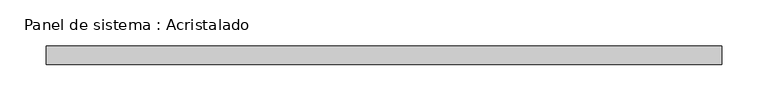
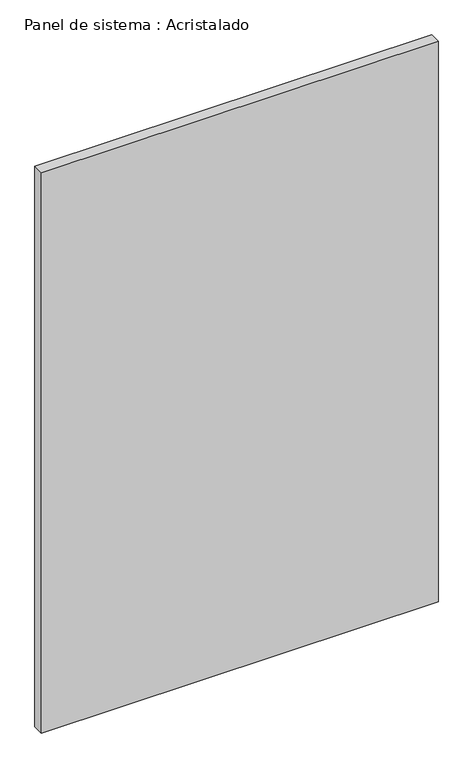
"""IFC4 building model written with IfcOpenShell, lengths in millimetres: plate geometry, Panel de sistema : Acristalado."""

from ifc_helpers import new_model, si_unit, origin, origin_with_axes, place, context, project, spatial, polyline, outline, extrude, source, transform, mapped, element, save


def panel_de_sistema_acristalado_327f8d71(model_context):
    return source(origin(), model_context, "Body", "SweptSolid", [
        extrude(outline(polyline([(365.0, -10.0), (-365.0, -10.0), (-365.0, 10.0), (365.0, 10.0), (365.0, -10.0)])), origin_with_axes(), (0.0, 0.0, 1.0), 1090.1190491),
    ])


if __name__ == "__main__":
    model = new_model("IFC4")
    model_context = context("Model", 3, world=origin())
    ifc_project = project(units=[si_unit("LENGTHUNIT", "METRE", prefix="MILLI")], contexts=[model_context])
    site = spatial("IfcSite", under=ifc_project)
    building = spatial("IfcBuilding", under=site)
    placement = place(None, origin())
    panel_de_sistema_acristalado_shape = panel_de_sistema_acristalado_327f8d71(model_context)
    element("IfcPlate", 1, ObjectType="Panel de sistema : Acristalado", at=placement, inside=building, context=model_context, shape_type="MappedRepresentation", body=[
        mapped(panel_de_sistema_acristalado_shape, transform((0.0, 0.0, 0.0), x_axis=(1.0, 0.0, 0.0), y_axis=(0.0, 1.0, 0.0), z_axis=(0.0, 0.0, 1.0))),
    ])
    save(model, "model.ifc")
